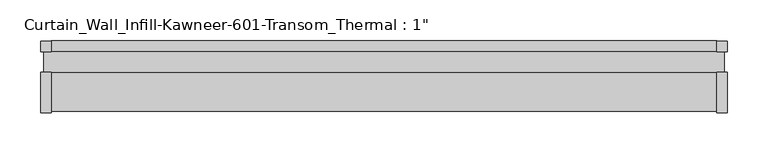
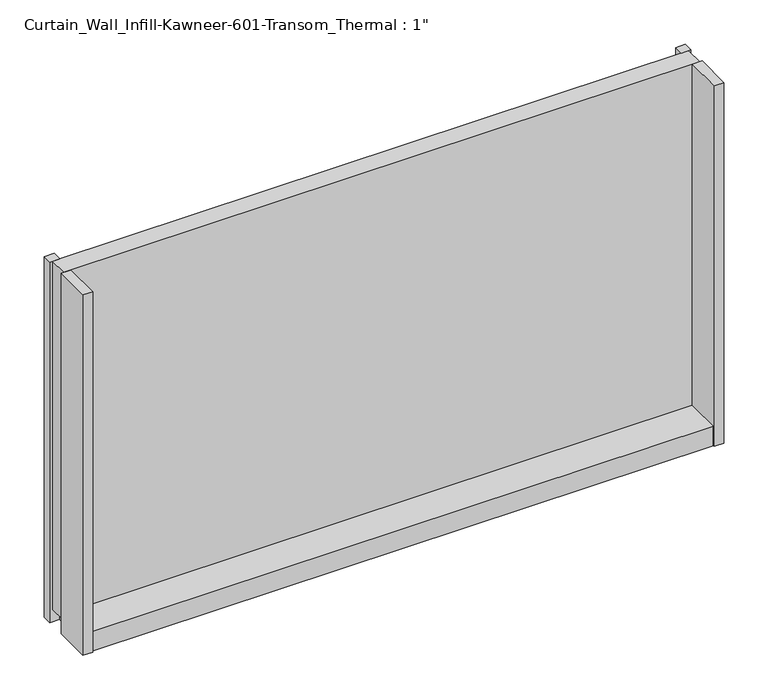
"""IFC4 building model written with IfcOpenShell, lengths in millimetres: plate geometry."""

from ifc_helpers import new_model, si_unit, frame, origin, origin_with_axes, place, context, project, spatial, polyline, outline, extrude, source, transform, mapped, element, save


def plate_0707a60d(model_context):
    return source(origin(), model_context, "Body", "SweptSolid", [
        extrude(outline(polyline([(406.4, 25.2723869), (419.1, 25.2723869), (419.1, 12.7), (406.4, 12.7), (406.4, 25.2723869)])), origin_with_axes(), (0.0, 0.0, 1.0), 498.475),
        extrude(outline(polyline([(419.1, -62.0401131), (406.4, -62.0401131), (406.4, -12.7), (419.1, -12.7), (419.1, -62.0401131)])), origin_with_axes(), (0.0, 0.0, 1.0), 498.475),
        extrude(outline(polyline([(-406.4, 25.2723869), (-406.4, 12.7), (-419.1, 12.7), (-419.1, 25.2723869), (-406.4, 25.2723869)])), origin_with_axes(), (0.0, 0.0, 1.0), 498.475),
        extrude(outline(polyline([(-419.1, -62.0401131), (-419.1, -12.7), (-406.4, -12.7), (-406.4, -62.0401131), (-419.1, -62.0401131)])), origin_with_axes(), (0.0, 0.0, 1.0), 498.475),
        extrude(outline(polyline([(12.7, 26.9875), (25.625216, 26.9875), (25.625216, 0.0), (-60.091499, 0.0), (-60.091499, 26.9875), (-12.7, 26.9875), (-12.7, 17.4625), (12.7, 17.4625), (12.7, 26.9875)])), frame((-406.4, 0.0, 0.0), z_axis=(1.0, 0.0, 0.0), x_axis=(0.0, 1.0, 0.0)), (0.0, 0.0, 1.0), 812.8),
        extrude(outline(polyline([(-415.925, 12.7), (415.925, 12.7), (415.925, -12.7), (-415.925, -12.7), (-415.925, 12.7)])), frame((0.0, 0.0, 17.4625), z_axis=(0.0, 0.0, 1.0), x_axis=(1.0, 0.0, 0.0)), (0.0, 0.0, 1.0), 481.0125),
    ])


if __name__ == "__main__":
    model = new_model("IFC4")
    model_context = context("Model", 3, world=origin())
    ifc_project = project(units=[si_unit("LENGTHUNIT", "METRE", prefix="MILLI")], contexts=[model_context])
    site = spatial("IfcSite", under=ifc_project)
    building = spatial("IfcBuilding", under=site)
    placement = place(None, origin())
    plate_shape = plate_0707a60d(model_context)
    element("IfcPlate", 1, ObjectType="Curtain_Wall_Infill-Kawneer-601-Transom_Thermal : 1\"", at=placement, inside=building, context=model_context, shape_type="MappedRepresentation", body=[
        mapped(plate_shape, transform((0.0, 0.0, 0.0), x_axis=(1.0, 0.0, 0.0), y_axis=(0.0, 1.0, 0.0), z_axis=(0.0, 0.0, 1.0))),
    ])
    save(model, "model.ifc")
